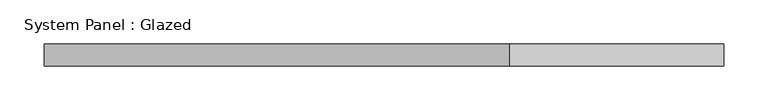
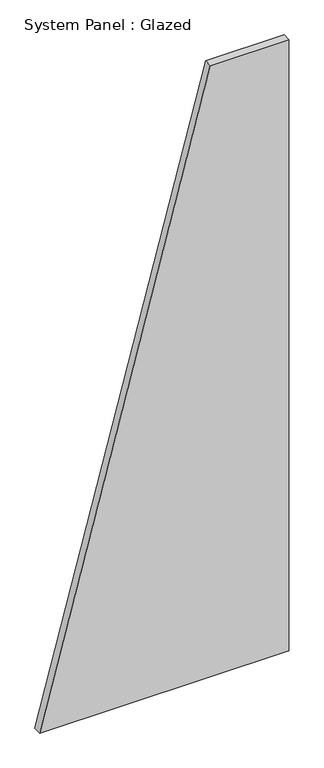
"""IFC4 building model written with IfcOpenShell, lengths in millimetres: plate geometry, System Panel : Glazed."""

from ifc_helpers import new_model, si_unit, frame, origin, place, context, project, spatial, polyline, outline, extrude, source, transform, mapped, element, save


def system_panel_glazed_5fc2e3d0(model_context):
    return source(origin(), model_context, "Body", "SweptSolid", [
        extrude(outline(polyline([(0.0, -385.7142859), (0.0, 385.7142859), (2000.0, 385.7142859), (2000.0, 142.8571427), (0.0, -385.7142859)])), frame((0.0, 24.5, 0.0), z_axis=(0.0, 1.0, 0.0), x_axis=(0.0, 0.0, 1.0)), (0.0, 0.0, 1.0), 25.0),
    ])


if __name__ == "__main__":
    model = new_model("IFC4")
    model_context = context("Model", 3, world=origin())
    ifc_project = project(units=[si_unit("LENGTHUNIT", "METRE", prefix="MILLI")], contexts=[model_context])
    site = spatial("IfcSite", under=ifc_project)
    building = spatial("IfcBuilding", under=site)
    placement = place(None, origin())
    system_panel_glazed_shape = system_panel_glazed_5fc2e3d0(model_context)
    element("IfcPlate", 1, ObjectType="System Panel : Glazed", at=placement, inside=building, context=model_context, shape_type="MappedRepresentation", body=[
        mapped(system_panel_glazed_shape, transform((0.0, 0.0, 0.0), x_axis=(1.0, 0.0, 0.0), y_axis=(0.0, 1.0, 0.0), z_axis=(0.0, 0.0, 1.0))),
    ])
    save(model, "model.ifc")
